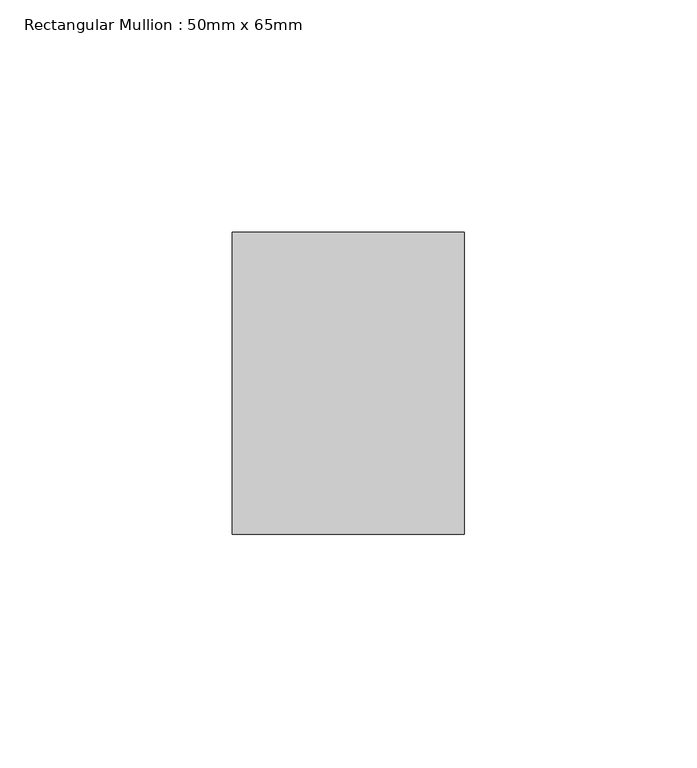
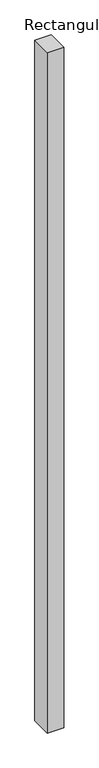
"""IFC4 building model written with IfcOpenShell, lengths in millimetres: member geometry, Rectangular Mullion : 50mm x 65mm."""

from ifc_helpers import new_model, si_unit, frame, origin, place, context, project, spatial, polyline, outline, extrude, source, transform, mapped, element, save


def rectangular_mullion_50mm_x_65mm_c333ad7a(model_context):
    return source(origin(), model_context, "Body", "SweptSolid", [
        extrude(outline(polyline([(25.0, 32.5), (25.0, -32.5), (-25.0, -32.5), (-25.0, 32.5), (25.0, 32.5)])), frame((0.0, 0.0, -2186.9741854), z_axis=(0.0, 0.0, 1.0), x_axis=(1.0, 0.0, 0.0)), (0.0, 0.0, 1.0), 2186.9741854),
    ])


if __name__ == "__main__":
    model = new_model("IFC4")
    model_context = context("Model", 3, world=origin())
    ifc_project = project(units=[si_unit("LENGTHUNIT", "METRE", prefix="MILLI")], contexts=[model_context])
    site = spatial("IfcSite", under=ifc_project)
    building = spatial("IfcBuilding", under=site)
    placement = place(None, origin())
    rectangular_mullion_50mm_x_65mm_shape = rectangular_mullion_50mm_x_65mm_c333ad7a(model_context)
    element("IfcMember", 1, ObjectType="Rectangular Mullion : 50mm x 65mm", at=placement, inside=building, context=model_context, shape_type="MappedRepresentation", body=[
        mapped(rectangular_mullion_50mm_x_65mm_shape, transform((0.0, 0.0, 0.0), x_axis=(1.0, 0.0, 0.0), y_axis=(0.0, 1.0, 0.0), z_axis=(0.0, 0.0, 1.0))),
    ])
    save(model, "model.ifc")
